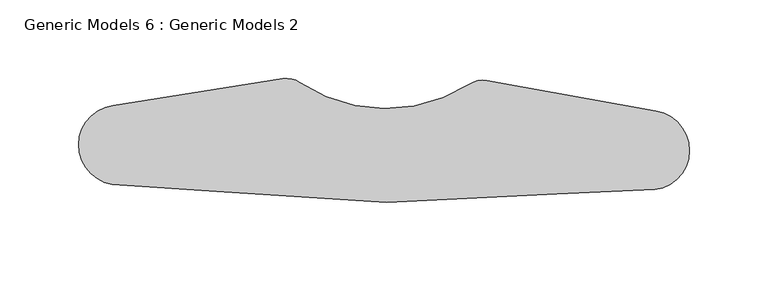
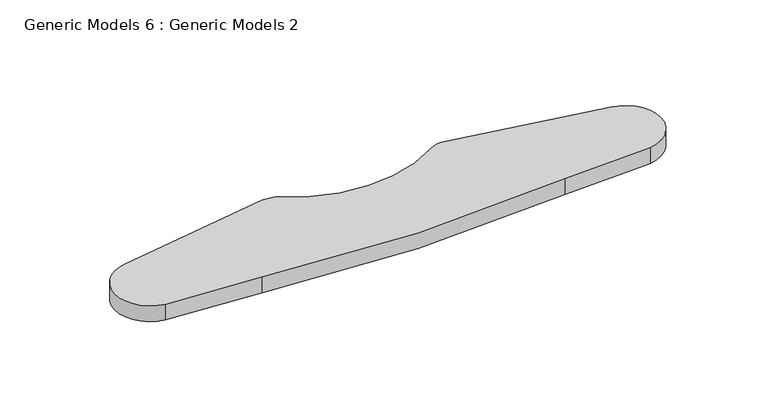
"""IFC4 building model written with IfcOpenShell, lengths in millimetres: proxy geometry, Generic Models 6 : Generic Models 2."""

import ifcopenshell
import ifcopenshell.guid

model = None  # the IFC model being written
_history = None  # IfcOwnerHistory: only IFC2X3 demands one
_inside = {}  # id of a spatial element -> (the spatial element, [elements in it])
_under = {}  # id of a project, library or spatial element -> (it, [spatial elements below it])
_declared = {}  # id of a project -> (the project, [libraries it declares])
_typed = {}  # id of a type object -> (the type object, [elements of that type])
_made_of = {}  # id of a material, layer set ... -> (it, [elements and type objects made of it])


def new_model(schema):
    """Start an empty IFC model of exactly this schema.

    Asked for "IFC4X3", IfcOpenShell would pick the latest addendum, in which some entities
    have other attributes; the version numbers below select the first issue.
    IFC2X3 requires an IfcOwnerHistory on every rooted entity: one is made here for all.
    """
    global model, _history
    if schema == "IFC4X3":
        model = ifcopenshell.file(schema_version=(4, 3, 0, 0))
    else:
        model = ifcopenshell.file(schema=schema)
    _inside.clear()
    _under.clear()
    _declared.clear()
    _typed.clear()
    _made_of.clear()
    _history = None
    if model.schema == "IFC2X3":
        org = make("IfcOrganization", Name="unknown")
        user = make(
            "IfcPersonAndOrganization",
            ThePerson=make("IfcPerson", FamilyName="unknown"),
            TheOrganization=org,
        )
        app = make(
            "IfcApplication",
            ApplicationDeveloper=org,
            Version="unknown",
            ApplicationFullName="unknown",
            ApplicationIdentifier="unknown",
        )
        _history = make(
            "IfcOwnerHistory",
            OwningUser=user,
            OwningApplication=app,
            ChangeAction="ADDED",
            CreationDate=0,
        )
    return model


def make(cls, **values):
    """One entity of the class cls with the attributes given. An attribute that is None is left unset."""
    return model.create_entity(
        cls, **{name: value for name, value in values.items() if value is not None}
    )


def rooted(cls, **values):
    """An entity with a GlobalId (a new one), such as an element, a storey or a relation."""
    return make(cls, GlobalId=ifcopenshell.guid.new(), OwnerHistory=_history, **values)


def si_unit(unit_type, name, prefix=None):
    """IfcSIUnit, for example si_unit("LENGTHUNIT", "METRE", prefix="MILLI")."""
    return make("IfcSIUnit", UnitType=unit_type, Prefix=prefix, Name=name)


def assignment(units):
    """IfcUnitAssignment: the units of a project."""
    return None if units is None else make("IfcUnitAssignment", Units=units)


def point(xyz):
    """IfcCartesianPoint."""
    return None if xyz is None else make("IfcCartesianPoint", Coordinates=xyz)


def direction(xyz):
    """IfcDirection."""
    return None if xyz is None else make("IfcDirection", DirectionRatios=xyz)


def frame(location, z_axis=None, x_axis=None):
    """IfcAxis2Placement3D, a coordinate frame: its origin and axes. An axis left out is left unset."""
    return make(
        "IfcAxis2Placement3D",
        Location=point(location),
        Axis=direction(z_axis),
        RefDirection=direction(x_axis),
    )


def frame_2d(location, x_axis=None):
    """IfcAxis2Placement2D, a coordinate frame in the plane: its origin and x axis."""
    return make(
        "IfcAxis2Placement2D", Location=point(location), RefDirection=direction(x_axis)
    )


def origin():
    """The frame at (0, 0, 0) with its axes left unset."""
    return frame((0.0, 0.0, 0.0))


def place(relative_to, where):
    """IfcLocalPlacement: puts the frame where relative to a parent placement (None: the world)."""
    return make(
        "IfcLocalPlacement", PlacementRelTo=relative_to, RelativePlacement=where
    )


def context(
    kind, dimensions, precision=None, world=None, true_north=None, identifier=None
):
    """IfcGeometricRepresentationContext, for example the 3D "Model" context."""
    return make(
        "IfcGeometricRepresentationContext",
        ContextIdentifier=identifier,
        ContextType=kind,
        CoordinateSpaceDimension=dimensions,
        Precision=precision,
        WorldCoordinateSystem=world,
        TrueNorth=true_north,
    )


def project(units=None, contexts=None):
    """IfcProject with its units and contexts."""
    return rooted(
        "IfcProject",
        Name="project",
        RepresentationContexts=contexts,
        UnitsInContext=assignment(units),
    )


def spatial(cls, under=None, at=None, **own):
    """A site, building, storey or space (cls), placed at a placement, below another one or the project."""
    s = rooted(cls, ObjectPlacement=at, **own)
    if under is not None:
        _under.setdefault(under.id(), (under, []))[1].append(s)
    return s


def polyline(points):
    """IfcPolyline through the points."""
    return make("IfcPolyline", Points=[point(p) for p in points])


def circle_curve(where, radius):
    """IfcCircle in the frame where."""
    return make("IfcCircle", Position=where, Radius=radius)


def trimmed(basis, trim1, trim2, sense, master):
    """IfcTrimmedCurve: the piece of a basis curve between two trims."""
    return make(
        "IfcTrimmedCurve",
        BasisCurve=basis,
        Trim1=trim1,
        Trim2=trim2,
        SenseAgreement=sense,
        MasterRepresentation=master,
    )


def segment(curve, same_sense, transition):
    """IfcCompositeCurveSegment."""
    return make(
        "IfcCompositeCurveSegment",
        Transition=transition,
        SameSense=same_sense,
        ParentCurve=curve,
    )


def composite_curve(segments, self_intersect=None):
    """IfcCompositeCurve: segments joined end to end."""
    return make("IfcCompositeCurve", Segments=segments, SelfIntersect=self_intersect)


def outline(outer, holes=None, kind="AREA"):
    """IfcArbitraryClosedProfileDef: a profile drawn as a closed curve; with holes, ...WithVoids."""
    if holes is None:
        return make("IfcArbitraryClosedProfileDef", ProfileType=kind, OuterCurve=outer)
    return make(
        "IfcArbitraryProfileDefWithVoids",
        ProfileType=kind,
        OuterCurve=outer,
        InnerCurves=holes,
    )


def extrude(swept, where, along, depth):
    """IfcExtrudedAreaSolid: the profile swept, set in the frame where, extruded along a direction by depth."""
    return make(
        "IfcExtrudedAreaSolid",
        SweptArea=swept,
        Position=where,
        ExtrudedDirection=direction(along),
        Depth=depth,
    )


def shape(context_of_items, identifier, shape_type, items):
    """IfcShapeRepresentation: the items that make up one representation, for example the "Body"."""
    return make(
        "IfcShapeRepresentation",
        ContextOfItems=context_of_items,
        RepresentationIdentifier=identifier,
        RepresentationType=shape_type,
        Items=items,
    )


def source(mapping_origin, context_of_items, identifier, shape_type, items):
    """IfcRepresentationMap: a shape defined once, which mapped items show again and again."""
    return make(
        "IfcRepresentationMap",
        MappingOrigin=mapping_origin,
        MappedRepresentation=shape(context_of_items, identifier, shape_type, items),
    )


def transform(
    local_origin,
    x_axis=None,
    y_axis=None,
    z_axis=None,
    scale=None,
    scale2=None,
    scale3=None,
    uniform=True,
):
    """IfcCartesianTransformationOperator3D, or its non-uniform kind. x_axis, y_axis, z_axis: its Axis1, 2, 3."""
    if uniform:
        return make(
            "IfcCartesianTransformationOperator3D",
            Axis1=direction(x_axis),
            Axis2=direction(y_axis),
            LocalOrigin=point(local_origin),
            Scale=scale,
            Axis3=direction(z_axis),
        )
    return make(
        "IfcCartesianTransformationOperator3DnonUniform",
        Axis1=direction(x_axis),
        Axis2=direction(y_axis),
        LocalOrigin=point(local_origin),
        Scale=scale,
        Axis3=direction(z_axis),
        Scale2=scale2,
        Scale3=scale3,
    )


def mapped(mapping_source, mapping_target):
    """IfcMappedItem: shows the shape of a source again, moved by a transform."""
    return make(
        "IfcMappedItem", MappingSource=mapping_source, MappingTarget=mapping_target
    )


def made_of(thing, what):
    """Note that an element or type object is made of a material, layer set ...; save() writes the relation."""
    if what is not None:
        _made_of.setdefault(what.id(), (what, []))[1].append(thing)
    return thing


def element(
    cls,
    number,
    at=None,
    inside=None,
    cuts=None,
    type_object=None,
    material=None,
    context=None,
    identifier="Body",
    shape_type=None,
    held_by="IfcProductDefinitionShape",
    body=None,
    shapes=None,
    **own,
):
    """One element of the class cls, such as IfcWall. Its Tag is "e" and its number.

    at: its placement. inside: the storey or other place that contains it. cuts: it is an
    opening in that element (IfcRelVoidsElement). A single representation is given by context,
    identifier, shape_type and body (its items); several are given by shapes. held_by: the class
    of the entity that holds the representations. save() writes the other relations.
    """
    e = rooted(cls, Tag="e%d" % number, ObjectPlacement=at, **own)
    if body is not None:
        shapes = [shape(context, identifier, shape_type, body)]
    if shapes is not None:
        e.Representation = make(held_by, Representations=shapes)
    if inside is not None:
        _inside.setdefault(inside.id(), (inside, []))[1].append(e)
    if cuts is not None:
        rooted(
            "IfcRelVoidsElement", RelatingBuildingElement=cuts, RelatedOpeningElement=e
        )
    if type_object is not None:
        _typed.setdefault(type_object.id(), (type_object, []))[1].append(e)
    return made_of(e, material)


def aggregate(whole, parts):
    """IfcRelAggregates: a whole, such as a stair, and the parts it consists of."""
    return rooted("IfcRelAggregates", RelatingObject=whole, RelatedObjects=parts)


def save(model, path):
    """Write the relations noted so far, then the file.

    IfcRelAggregates (storeys below a building ...), IfcRelContainedInSpatialStructure (elements
    in a storey), IfcRelDefinesByType, IfcRelAssociatesMaterial and IfcRelDeclares: one each for
    every whole, place, type object, material and project.
    """
    for whole, parts in _under.values():
        aggregate(whole, parts)
    for where, things in _inside.values():
        rooted(
            "IfcRelContainedInSpatialStructure",
            RelatedElements=things,
            RelatingStructure=where,
        )
    for kind, things in _typed.values():
        rooted("IfcRelDefinesByType", RelatedObjects=things, RelatingType=kind)
    for what, things in _made_of.values():
        rooted("IfcRelAssociatesMaterial", RelatedObjects=things, RelatingMaterial=what)
    for by, libraries in _declared.values():
        rooted("IfcRelDeclares", RelatingContext=by, RelatedDefinitions=libraries)
    model.write(path)


def generic_models_6_generic_models_2_60ba3a32(model_context):
    return source(origin(), model_context, "Body", "SweptSolid", [
        extrude(outline(composite_curve([segment(trimmed(circle_curve(frame_2d((31749.3024577, -15598.1402789)), 25.2761356), [point((31753.0901123, -15573.1495465))], [point((31752.588011, -15623.2019662))], False, "CARTESIAN"), True, "CONTINUOUS"), segment(polyline([(31752.588011, -15623.2019662), (31689.9751846, -15625.8089515)]), True, "CONTINUOUS"), segment(trimmed(circle_curve(frame_2d((31588.6882553, -14698.1511053)), 933.1710035), [point((31689.9751846, -15625.8089515))], [point((31473.6647609, -15624.2060267))], False, "CARTESIAN"), True, "CONTINUOUS"), segment(polyline([(31473.6647609, -15624.2060267), (31407.0898252, -15619.7360981)]), True, "CONTINUOUS"), segment(trimmed(circle_curve(frame_2d((31410.8774798, -15594.7453657)), 25.2761356), [point((31407.0898252, -15619.7360981))], [point((31407.5919265, -15569.6836784))], False, "CARTESIAN"), True, "CONTINUOUS"), segment(polyline([(31407.5919265, -15569.6836784), (31515.6263767, -15552.4205037)]), True, "CONTINUOUS"), segment(trimmed(circle_curve(frame_2d((31517.9932481, -15567.2325906)), 15.0), [point((31515.6263767, -15552.4205037))], [point((31526.3659535, -15554.786796))], False, "CARTESIAN"), True, "CONTINUOUS"), segment(trimmed(circle_curve(frame_2d((31581.3274025, -15473.0881247)), 98.4653938), [point((31526.3659535, -15554.786796))], [point((31634.638834, -15555.8729363))], True, "CARTESIAN"), True, "CONTINUOUS"), segment(trimmed(circle_curve(frame_2d((31642.7601794, -15568.4841912)), 15.0), [point((31634.638834, -15555.8729363))], [point((31645.4237197, -15553.7225669))], False, "CARTESIAN"), True, "CONTINUOUS"), segment(polyline([(31645.4237197, -15553.7225669), (31753.0901123, -15573.1495465)]), True, "CONTINUOUS")], self_intersect=False)), frame((0.0, 0.0, 850.0), z_axis=(0.0, 0.0, 1.0), x_axis=(1.0, 0.0, 0.0)), (0.0, 0.0, 1.0), 12.0543013),
    ])


if __name__ == "__main__":
    model = new_model("IFC4")
    model_context = context("Model", 3, world=origin())
    ifc_project = project(units=[si_unit("LENGTHUNIT", "METRE", prefix="MILLI")], contexts=[model_context])
    site = spatial("IfcSite", under=ifc_project)
    building = spatial("IfcBuilding", under=site)
    placement = place(None, origin())
    generic_models_6_generic_models_2_shape = generic_models_6_generic_models_2_60ba3a32(model_context)
    element("IfcBuildingElementProxy", 1, Name="Generic Models 6 : Generic Models 2", ObjectType="Generic Models 6 : Generic Models 2", at=placement, inside=building, context=model_context, shape_type="MappedRepresentation", body=[
        mapped(generic_models_6_generic_models_2_shape, transform((0.0, 0.0, 0.0), x_axis=(1.0, 0.0, 0.0), y_axis=(0.0, 1.0, 0.0), z_axis=(0.0, 0.0, 1.0))),
    ])
    save(model, "model.ifc")
